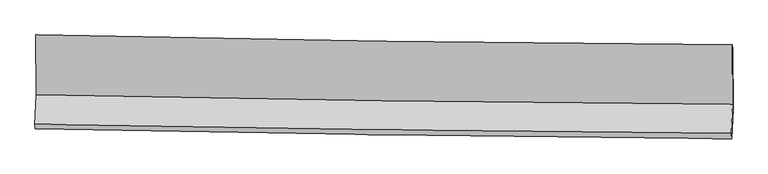
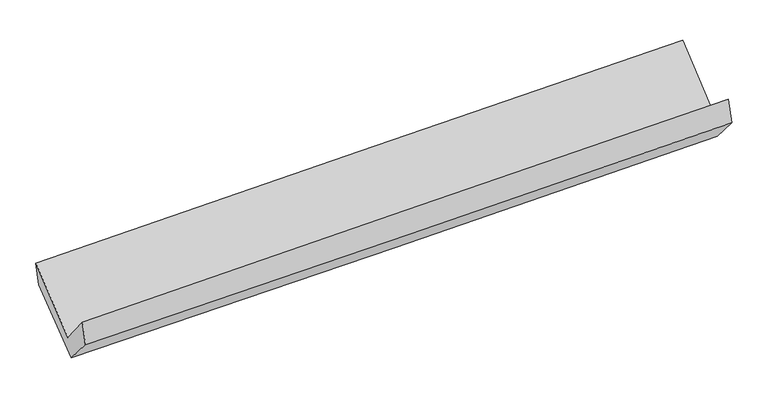
"""IFC4 building model written with IfcOpenShell, lengths in millimetres: proxy geometry."""

from ifc_helpers import new_model, si_unit, frame, origin, place, context, project, spatial, source, transform, mapped, element, save
from ifc_brep_helpers import plane_surface, spline_curve, spline_surface, advanced_brep


def generic_models_898fed51(model_context):
    return source(origin(), model_context, "Body", "AdvancedBrep", [
        advanced_brep(
        [(-3019.7678052, -1155.6329805, 2161.4039051), (-3016.5454235, -1672.5050539, 1733.137556), (3007.7872022, -1755.8683518, 1894.1414826), (3005.3826047, -1242.8593529, 2319.2382113), (-3028.9182501, -1929.2505793, 2050.1457309), (2995.7187051, -2006.2988119, 2203.3523364), (-3024.2273319, -1968.2854433, 1849.1935669), (3000.2586539, -2053.7226406, 1995.576742), (-3012.7948426, -1720.3371909, 1562.6240225), (3012.0046972, -1799.3009616, 1701.5255589), (-3015.3721268, -1194.3507456, 1971.8322026), (3010.2343621, -1277.180354, 2107.7565391)],
        [
            (0, 1),
            (1, 2, spline_curve(3, [(-3016.5454235, -1672.5050539, 1733.137556), (-2012.882369392, -1694.609373031, 1768.407701624), (-1009.049515028, -1712.608324855, 1799.459284533), (999.061324628, -1740.396953887, 1853.128147261), (2003.339345359, -1750.185768169, 1875.744539293), (3007.7872022, -1755.8683518, 1894.1414826)], [4, 2, 4], [0.0, 9.88723513988198, 19.77550951799566])),
            (2, 3),
            (3, 0, spline_curve(3, [(3005.3826047, -1242.8593529, 2319.2382113), (2000.811277921, -1235.249727855, 2302.433577805), (996.403369675, -1224.175486718, 2280.877461196), (-1011.98006615, -1195.099301288, 2228.265027281), (-2015.955627527, -1177.098084606, 2197.209708166), (-3019.7678052, -1155.6329805, 2161.4039051)], [4, 2, 4], [0.0, 9.888274378113678, 19.77550951799566])),
            (1, 4),
            (4, 5, spline_curve(3, [(-3028.9182501, -1929.2505793, 2050.1457309), (-2025.103811607, -1948.213554179, 2081.537204057), (-1021.169902414, -1964.115551155, 2109.999640711), (987.042390545, -1989.798939153, 2161.069125081), (1991.320800141, -1999.579686265, 2183.67555692), (2995.7187051, -2006.2988119, 2203.3523364)], [4, 2, 4], [0.0, 9.88654890490679, 19.77413697591575])),
            (5, 2),
            (4, 6),
            (6, 7, spline_curve(3, [(-3024.2273319, -1968.2854433, 1849.1935669), (-2020.327482984, -1989.01765728, 1874.868153485), (-1016.363446255, -2006.503327147, 1899.90343736), (991.798535743, -2034.983075114, 1948.697963479), (1995.996494141, -2045.976471324, 1972.457071327), (3000.2586539, -2053.7226406, 1995.576742)], [4, 2, 4], [0.0, 9.886319772140864, 19.77367868629996])),
            (7, 5),
            (6, 8),
            (8, 9, spline_curve(3, [(-3012.7948426, -1720.3371909, 1562.6240225), (-2008.845288618, -1740.05206568, 1587.122828617), (-1004.830271419, -1756.489643789, 1610.946786882), (1003.436228399, -1782.811589476, 1657.2474411), (2007.68772409, -1792.695268449, 1679.72399471), (3012.0046972, -1799.3009616, 1701.5255589)], [4, 2, 4], [0.0, 9.886177827090146, 19.77339478127881])),
            (9, 7),
            (8, 10),
            (10, 11, spline_curve(3, [(-3015.3721268, -1194.3507456, 1971.8322026), (-2011.273735595, -1213.425088703, 1996.835186969), (-1007.117057149, -1229.864503229, 2020.663173797), (1001.418426665, -1257.474926948, 2065.971533238), (2005.797244713, -1268.645381675, 2087.45165856), (3010.2343621, -1277.180354, 2107.7565391)], [4, 2, 4], [0.0, 9.886859728680568, 19.774758656133706])),
            (11, 9),
            (10, 0),
            (3, 11),
        ],
        [
            spline_surface(3, 3, [[(-3019.7678052, -1155.6329805, 2161.4039051), (-2015.955627682, -1177.098084643, 2197.2097083), (-1011.980066051, -1195.099301171, 2228.265027181), (996.403369576, -1224.175486835, 2280.877461296), (2000.811277895, -1235.2497278, 2302.433577766), (3005.3826047, -1242.8593529, 2319.2382113)], [(-3018.693677973, -1327.923671645, 2018.648455396), (-2014.931208276, -1349.601847465, 2054.275706029), (-1011.003215701, -1367.602309084, 2085.329779693), (997.289354573, -1396.249309202, 2138.294356575), (2001.653967044, -1406.895074578, 2160.203898305), (3006.184137216, -1413.86235255, 2177.539301722)], [(-3017.619550727, -1500.214362755, 1875.893005704), (-2013.906788851, -1522.105610253, 1911.341703772), (-1010.026365334, -1540.105316944, 1942.394532177), (998.175339587, -1568.323131517, 1995.711251826), (2002.496656144, -1578.540421306, 2017.974218877), (3006.985669684, -1584.86535215, 2035.840392178)], [(-3016.5454235, -1672.5050539, 1733.137556), (-2012.882369446, -1694.609373075, 1768.407701502), (-1009.049514984, -1712.608324857, 1799.459284689), (999.061324584, -1740.396953884, 1853.128147105), (2003.339345293, -1750.185768085, 1875.744539416), (3007.7872022, -1755.8683518, 1894.1414826)]], [4, 4], [4, 2, 4], [0.0, 2.2022697692066364], [0.0, 9.88723513988198, 19.77550951799566]),
            spline_surface(3, 3, [[(-3016.5454235, -1672.5050539, 1733.137556), (-2012.882369446, -1694.609373075, 1768.407701502), (-1009.049514984, -1712.608324857, 1799.459284689), (999.061324584, -1740.396953884, 1853.128147105), (2003.339345293, -1750.185768085, 1875.744539416), (3007.7872022, -1755.8683518, 1894.1414826)], [(-3020.669699002, -1758.086895672, 1838.806947655), (-2016.956183431, -1779.144100134, 1872.78420237), (-1013.089644179, -1796.444067002, 1902.972736702), (995.055013291, -1823.530948924, 1955.775139735), (1999.333163586, -1833.317074119, 1978.388211885), (3003.764369825, -1839.345171815, 1997.211767204)], [(-3024.793974598, -1843.668737528, 1944.476339245), (-2021.02999751, -1863.678827278, 1977.160703174), (-1017.129773377, -1880.279809154, 2006.486188749), (991.048701996, -1906.66494397, 2058.422132401), (1995.326981904, -1916.448380206, 2081.031884342), (2999.741537475, -1922.821991885, 2100.282051796)], [(-3028.9182501, -1929.2505793, 2050.1457309), (-2025.103811495, -1948.213554336, 2081.537204042), (-1021.169902572, -1964.115551299, 2109.999640762), (987.042390703, -1989.798939009, 2161.069125031), (1991.320800197, -1999.57968624, 2183.675556811), (2995.7187051, -2006.2988119, 2203.3523364)]], [4, 4], [4, 2, 4], [0.0, 1.3061815843296138], [0.0, 9.88654890490679, 19.77413697591575]),
            spline_surface(3, 3, [[(-3028.9182501, -1929.2505793, 2050.1457309), (-2025.103811495, -1948.213554336, 2081.537204042), (-1021.169902572, -1964.115551299, 2109.999640762), (987.042390703, -1989.798939009, 2161.069125031), (1991.320800197, -1999.57968624, 2183.675556811), (2995.7187051, -2006.2988119, 2203.3523364)], [(-3027.354610716, -1942.262200653, 1983.161676238), (-2023.511701992, -1961.814921961, 2012.647520542), (-1019.567750415, -1978.244809861, 2039.967572957), (988.627772359, -2004.860317762, 2090.278737827), (1992.879364823, -2015.045281243, 2113.269394971), (2997.232021358, -2022.106754815, 2134.093804912)], [(-3025.790971284, -1955.273821947, 1916.177621562), (-2021.919592441, -1975.416289527, 1943.75783703), (-1017.965598299, -1992.374068427, 1969.935505187), (990.213153974, -2019.921696519, 2019.48835066), (1994.437929475, -2030.510876202, 2042.863233196), (2998.745337642, -2037.914697685, 2064.835273488)], [(-3024.2273319, -1968.2854433, 1849.1935669), (-2020.327482938, -1989.017657151, 1874.868153531), (-1016.363446142, -2006.503326989, 1899.903437383), (991.79853563, -2034.983075272, 1948.697963457), (1995.996494101, -2045.976471205, 1972.457071357), (3000.2586539, -2053.7226406, 1995.576742)]], [4, 4], [4, 2, 4], [0.0, 0.70793046678023], [0.0, 9.886319772140864, 19.77367868629996]),
            spline_surface(3, 3, [[(-3024.2273319, -1968.2854433, 1849.1935669), (-2020.327482938, -1989.017657151, 1874.868153531), (-1016.363446142, -2006.503326989, 1899.903437383), (991.79853563, -2034.983075272, 1948.697963457), (1995.996494101, -2045.976471205, 1972.457071357), (3000.2586539, -2053.7226406, 1995.576742)], [(-3020.416502139, -1885.636025817, 1753.670385416), (-2016.500084834, -1906.029126646, 1778.953045242), (-1012.519054513, -1923.165432556, 1803.58455394), (995.677766505, -1950.925913372, 1851.547789322), (1999.893570787, -1961.549403611, 1874.879379193), (3004.174001668, -1968.91541425, 1897.559680968)], [(-3016.605672361, -1802.986608383, 1658.147203984), (-2012.672686713, -1823.04059619, 1683.037937005), (-1008.674662895, -1839.827538125, 1707.265670434), (999.55699737, -1866.868751474, 1754.397615125), (2003.790647469, -1877.122336065, 1777.301687027), (3008.089349432, -1884.10818795, 1799.542619932)], [(-3012.7948426, -1720.3371909, 1562.6240225), (-2008.845288609, -1740.052065685, 1587.122828716), (-1004.830271265, -1756.489643692, 1610.946786992), (1003.436228245, -1782.811589573, 1657.24744099), (2007.687724155, -1792.695268471, 1679.723994863), (3012.0046972, -1799.3009616, 1701.5255589)]], [4, 4], [4, 2, 4], [0.0, 1.2596031107360242], [0.0, 9.886177827090146, 19.77339478127881]),
            spline_surface(3, 3, [[(-3012.7948426, -1720.3371909, 1562.6240225), (-2008.845288609, -1740.052065685, 1587.122828716), (-1004.830271265, -1756.489643692, 1610.946786992), (1003.436228245, -1782.811589573, 1657.24744099), (2007.687724155, -1792.695268471, 1679.723994863), (3012.0046972, -1799.3009616, 1701.5255589)], [(-3013.653937337, -1545.008375816, 1699.026749201), (-2009.654770995, -1564.509740047, 1723.693614855), (-1005.592533275, -1580.947930262, 1747.518915961), (1002.763627752, -1607.699368653, 1793.488805022), (2007.057564299, -1618.011972867, 1815.633216079), (3011.414585503, -1625.26075909, 1836.935885643)], [(-3014.513032063, -1369.679560684, 1835.429475899), (-2010.464253371, -1388.96741436, 1860.264400992), (-1006.354795262, -1405.406216813, 1884.091044955), (1002.091027281, -1432.587147714, 1929.730169079), (2006.427404433, -1443.328677194, 1951.542437266), (3010.824473797, -1451.22055651, 1972.346212357)], [(-3015.3721268, -1194.3507456, 1971.8322026), (-2011.273735757, -1213.425088723, 1996.835187131), (-1007.117057272, -1229.864503383, 2020.663173924), (1001.418426787, -1257.474926794, 2065.971533111), (2005.797244576, -1268.64538159, 2087.451658482), (3010.2343621, -1277.180354, 2107.7565391)]], [4, 4], [4, 2, 4], [0.0, 2.1864321293881184], [0.0, 9.886859728680568, 19.774758656133706]),
            spline_surface(3, 3, [[(-3015.3721268, -1194.3507456, 1971.8322026), (-2011.273735757, -1213.425088723, 1996.835187131), (-1007.117057272, -1229.864503383, 2020.663173924), (1001.418426787, -1257.474926794, 2065.971533111), (2005.797244576, -1268.64538159, 2087.451658482), (3010.2343621, -1277.180354, 2107.7565391)], [(-3016.837352932, -1181.444823897, 2035.022770095), (-2012.834366398, -1201.31608736, 2063.626694182), (-1008.738060203, -1218.276102626, 2089.863791678), (999.746741045, -1246.375113454, 2137.606842507), (2004.135255679, -1257.513496973, 2159.112298262), (3008.61710963, -1265.740020279, 2178.250429852)], [(-3018.302579068, -1168.538902203, 2098.213337605), (-2014.394997041, -1189.207086005, 2130.418201248), (-1010.35906312, -1206.687701928, 2159.064409428), (998.075055318, -1235.275300174, 2209.2421519), (2002.473266792, -1246.381612417, 2230.772937986), (3006.99985717, -1254.299686621, 2248.744320548)], [(-3019.7678052, -1155.6329805, 2161.4039051), (-2015.955627682, -1177.098084643, 2197.2097083), (-1011.980066051, -1195.099301171, 2228.265027181), (996.403369576, -1224.175486835, 2280.877461296), (2000.811277895, -1235.2497278, 2302.433577766), (3005.3826047, -1242.8593529, 2319.2382113)]], [4, 4], [4, 2, 4], [0.0, 0.7022143757167217], [0.0, 9.887656018042625, 19.776351318555065]),
            plane_surface(frame((3005.2310375, -1689.2050788, 2036.9318117), z_axis=(0.9995350178999807, -0.016540767088461306, 0.025615444868490246), x_axis=(-0.002676077116563719, 0.7892488925722024, 0.6140676055491108))),
            plane_surface(frame((-3019.6042967, -1606.7269989, 1888.056164), z_axis=(-0.9995304140667762, 0.015614346956834602, -0.026365574611801345), x_axis=(0.022712569491906094, -0.20005556620181675, -0.979521265526556))),
        ],
        [
            (0, [[1, 2, 3, 4]]),
            (1, [[5, 6, 7, -2]]),
            (2, [[8, 9, 10, -6]]),
            (3, [[11, 12, 13, -9]]),
            (4, [[14, 15, 16, -12]]),
            (5, [[17, -4, 18, -15]]),
            (6, [[-16, -18, -3, -7, -10, -13]]),
            (7, [[-17, -14, -11, -8, -5, -1]]),
        ],
    ),
    ])


if __name__ == "__main__":
    model = new_model("IFC4")
    model_context = context("Model", 3, world=origin())
    ifc_project = project(units=[si_unit("LENGTHUNIT", "METRE", prefix="MILLI")], contexts=[model_context])
    site = spatial("IfcSite", under=ifc_project)
    building = spatial("IfcBuilding", under=site)
    placement = place(None, origin())
    generic_models_shape = generic_models_898fed51(model_context)
    element("IfcBuildingElementProxy", 1, Name="Generic Models", at=placement, inside=building, context=model_context, shape_type="MappedRepresentation", body=[
        mapped(generic_models_shape, transform((0.0, 0.0, 0.0), x_axis=(1.0, 0.0, 0.0), y_axis=(0.0, 1.0, 0.0), z_axis=(0.0, 0.0, 1.0))),
    ])
    save(model, "model.ifc")
